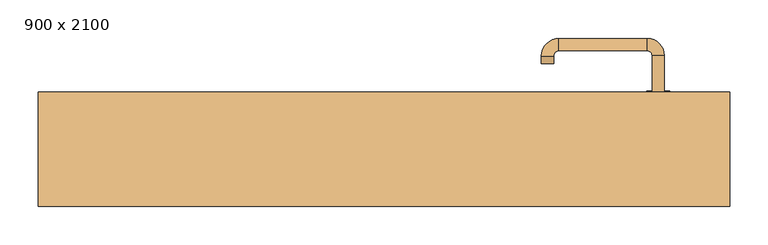
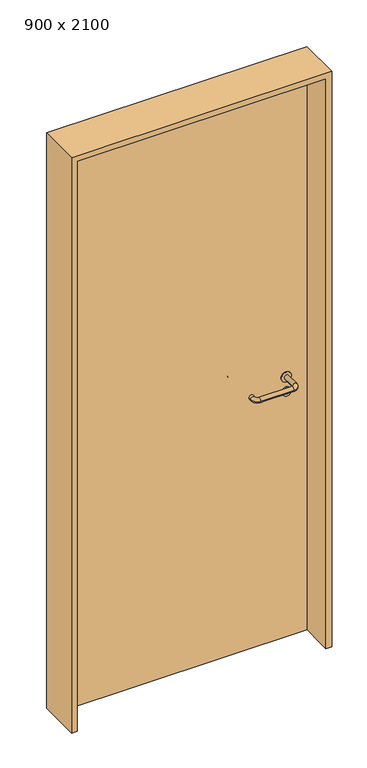
"""IFC4 building model written with IfcOpenShell, lengths in millimetres: door geometry, 900 x 2100."""

from ifc_helpers import new_model, si_unit, point, frame, frame_2d, origin, origin_with_axes, place, context, project, spatial, polyline, circle_curve, ellipse_curve, trimmed, segment, composite_curve, outline, extrude, source, transform, mapped, element, save
from ifc_brep_helpers import plane_surface, cylinder_surface, revolved_surface, advanced_brep


def door_900_x_2100_2c2fa0b2(model_context):
    return source(origin(), model_context, "Body", "SolidModel", [
        extrude(outline(composite_curve([segment(trimmed(circle_curve(frame_2d((897.3605726, 357.0)), 15.0), [point((897.3605726, 372.0))], [point((897.3605726, 342.0))], False, "CARTESIAN"), True, "CONTINUOUS"), segment(trimmed(circle_curve(frame_2d((897.3605726, 357.0)), 15.0), [point((897.3605726, 342.0))], [point((897.3605726, 372.0))], False, "CARTESIAN"), True, "CONTINUOUS")], self_intersect=False), holes=[composite_curve([segment(trimmed(circle_curve(frame_2d((892.5833211, 356.9398032)), 2.0), [point((892.5833211, 358.9398032))], [point((892.5833211, 354.9398032))], True, "CARTESIAN"), True, "CONTINUOUS"), segment(polyline([(892.5833211, 354.9398032), (902.5833211, 354.9398032)]), True, "CONTINUOUS"), segment(trimmed(circle_curve(frame_2d((902.5833211, 356.9398032)), 2.0), [point((902.5833211, 354.9398032))], [point((902.5833211, 358.9398032))], True, "CARTESIAN"), True, "CONTINUOUS"), segment(polyline([(902.5833211, 358.9398032), (892.5833211, 358.9398032)]), True, "CONTINUOUS")], self_intersect=False)]), frame((0.0, 33.65, 0.0), z_axis=(0.0, 1.0, 0.0), x_axis=(0.0, 0.0, 1.0)), (0.0, 0.0, 1.0), 6.35),
        extrude(outline(composite_curve([segment(trimmed(circle_curve(frame_2d((950.0, 357.0)), 17.526), [point((950.0, 374.526))], [point((950.0, 339.474))], False, "CARTESIAN"), True, "CONTINUOUS"), segment(trimmed(circle_curve(frame_2d((950.0, 357.0)), 17.526), [point((950.0, 339.474))], [point((950.0, 374.526))], False, "CARTESIAN"), True, "CONTINUOUS")], self_intersect=False)), frame((0.0, 36.825, 0.0), z_axis=(0.0, 1.0, 0.0), x_axis=(0.0, 0.0, 1.0)), (0.0, 0.0, 1.0), 3.175),
        advanced_brep(
        [(365.0, 40.0, 950.0), (349.0, 40.0, 950.0), (349.0, -13.0, 950.0), (365.0, -13.0, 950.0), (342.8578644, -19.1421356, 950.0), (342.8578644, -35.1421356, 950.0), (227.8578644, -19.1421356, 950.0), (227.8578644, -35.1421356, 950.0), (221.008622, -12.2928932, 950.0), (205.008622, -12.2928932, 950.0), (205.008622, -2.2928932, 950.0), (221.008622, -2.2928932, 950.0)],
        [
            (0, 1, circle_curve(frame((357.0, 40.0, 950.0), z_axis=(0.0, 1.0, 0.0), x_axis=(-1.0, 0.0, 0.0)), 8.0)),
            (1, 0, circle_curve(frame((357.0, 40.0, 950.0), z_axis=(0.0, 1.0, 0.0), x_axis=(-1.0, 0.0, 0.0)), 8.0)),
            (1, 2),
            (2, 3, circle_curve(frame((357.0, -13.0, 950.0), z_axis=(0.0, 1.0, 0.0), x_axis=(-1.0, 0.0, 0.0)), 8.0)),
            (3, 0),
            (3, 2, circle_curve(frame((357.0, -13.0, 950.0), z_axis=(0.0, 1.0, 0.0), x_axis=(-1.0, 0.0, 0.0)), 8.0)),
            (4, 5, circle_curve(frame((342.8578644, -27.1421356, 950.0), z_axis=(1.0, 0.0, 0.0), x_axis=(0.0, 1.0, 0.0)), 8.0)),
            (5, 3, circle_curve(frame((342.8578644, -13.0, 950.0), z_axis=(0.0, 0.0, 1.0), x_axis=(1.0, 0.0, 0.0)), 22.1421356)),
            (2, 4, circle_curve(frame((342.8578644, -13.0, 950.0), z_axis=(0.0, 0.0, -1.0), x_axis=(1.0, 0.0, 0.0)), 6.1421356)),
            (5, 4, circle_curve(frame((342.8578644, -27.1421356, 950.0), z_axis=(1.0, 0.0, 0.0), x_axis=(0.0, 1.0, 0.0)), 8.0)),
            (4, 6),
            (6, 7, circle_curve(frame((227.8578644, -27.1421356, 950.0), z_axis=(1.0, 0.0, 0.0), x_axis=(0.0, 1.0, 0.0)), 8.0)),
            (7, 5),
            (7, 6, circle_curve(frame((227.8578644, -27.1421356, 950.0), z_axis=(1.0, 0.0, 0.0), x_axis=(0.0, 1.0, 0.0)), 8.0)),
            (8, 9, circle_curve(frame((213.008622, -12.2928932, 950.0), z_axis=(0.0, -1.0, 0.0), x_axis=(1.0, 0.0, 0.0)), 8.0)),
            (9, 7, circle_curve(frame((227.8578644, -12.2928932, 950.0), z_axis=(0.0, 0.0, 1.0), x_axis=(0.0, -1.0, 0.0)), 22.8492424)),
            (6, 8, circle_curve(frame((227.8578644, -12.2928932, 950.0), z_axis=(0.0, 0.0, -1.0), x_axis=(0.0, -1.0, 0.0)), 6.8492424)),
            (9, 8, circle_curve(frame((213.008622, -12.2928932, 950.0), z_axis=(0.0, -1.0, 0.0), x_axis=(1.0, 0.0, 0.0)), 8.0)),
            (10, 11, circle_curve(frame((213.008622, -2.2928932, 950.0), z_axis=(0.0, 1.0, 0.0), x_axis=(1.0, 0.0, 0.0)), 8.0)),
            (11, 10, circle_curve(frame((213.008622, -2.2928932, 950.0), z_axis=(0.0, 1.0, 0.0), x_axis=(1.0, 0.0, 0.0)), 8.0)),
            (8, 11),
            (10, 9),
        ],
        [
            plane_surface(frame((357.0, 40.0, 0.0), z_axis=(0.0, 1.0, 0.0), x_axis=(0.0, 0.0, 1.0))),
            cylinder_surface(frame((357.0, 40.0, 950.0), z_axis=(0.0, 1.0, 0.0), x_axis=(-1.0, 0.0, 0.0)), 8.0),
            revolved_surface(trimmed(ellipse_curve(frame((357.0, -13.0, 950.0), z_axis=(0.0, -1.0, 0.0), x_axis=(-1.0, 0.0, 0.0)), 8.0, 8.0), [point((365.0, -13.0, 950.0))], [point((349.0, -13.0, 950.0))], True, "CARTESIAN"), (342.8578644, -13.0, 0.0), (0.0, 0.0, 1.0)),
            revolved_surface(trimmed(ellipse_curve(frame((357.0, -13.0, 950.0), z_axis=(0.0, -1.0, 0.0), x_axis=(-1.0, 0.0, 0.0)), 8.0, 8.0), [point((349.0, -13.0, 950.0))], [point((365.0, -13.0, 950.0))], True, "CARTESIAN"), (342.8578644, -13.0, 0.0), (0.0, 0.0, 1.0)),
            cylinder_surface(frame((342.8578644, -27.1421356, 950.0), z_axis=(1.0, 0.0, 0.0), x_axis=(0.0, 1.0, 0.0)), 8.0),
            revolved_surface(trimmed(ellipse_curve(frame((227.8578644, -27.1421356, 950.0), z_axis=(-1.0, 0.0, 0.0), x_axis=(0.0, 1.0, 0.0)), 8.0, 8.0), [point((227.8578644, -35.1421356, 950.0))], [point((227.8578644, -19.1421356, 950.0))], True, "CARTESIAN"), (227.8578644, -12.2928932, 0.0), (0.0, 0.0, 1.0)),
            revolved_surface(trimmed(ellipse_curve(frame((227.8578644, -27.1421356, 950.0), z_axis=(-1.0, 0.0, 0.0), x_axis=(0.0, 1.0, 0.0)), 8.0, 8.0), [point((227.8578644, -19.1421356, 950.0))], [point((227.8578644, -35.1421356, 950.0))], True, "CARTESIAN"), (227.8578644, -12.2928932, 0.0), (0.0, 0.0, 1.0)),
            plane_surface(frame((213.008622, -2.2928932, 0.0), z_axis=(0.0, 1.0, 0.0), x_axis=(0.0, 0.0, 1.0))),
            cylinder_surface(frame((213.008622, -12.2928932, 950.0), z_axis=(0.0, -1.0, 0.0), x_axis=(1.0, 0.0, 0.0)), 8.0),
        ],
        [
            (0, [[1, 2]]),
            (1, [[3, 4, 5, -2]]),
            (1, [[-5, 6, -3, -1]]),
            (2, [[7, 8, -4, 9]]),
            (3, [[10, -9, -6, -8]]),
            (4, [[11, 12, 13, -7]]),
            (4, [[-13, 14, -11, -10]]),
            (5, [[15, 16, -12, 17]]),
            (6, [[18, -17, -14, -16]]),
            (7, [[19, 20]]),
            (8, [[21, -19, 22, -15]]),
            (8, [[-22, -20, -21, -18]]),
        ],
    ),
        extrude(outline(composite_curve([segment(trimmed(circle_curve(frame_2d((0.0, -15.0)), 15.0), [point((0.0, -30.0))], [point((0.0, 0.0))], False, "CARTESIAN"), True, "CONTINUOUS"), segment(trimmed(circle_curve(frame_2d((0.0, -15.0)), 15.0), [point((0.0, 0.0))], [point((0.0, -30.0))], False, "CARTESIAN"), True, "CONTINUOUS")], self_intersect=False), holes=[composite_curve([segment(trimmed(circle_curve(frame_2d((4.7772515, -14.9398032)), 2.0), [point((4.7772515, -16.9398032))], [point((4.7772515, -12.9398032))], True, "CARTESIAN"), True, "CONTINUOUS"), segment(polyline([(4.7772515, -12.9398032), (-5.2227485, -12.9398032)]), True, "CONTINUOUS"), segment(trimmed(circle_curve(frame_2d((-5.2227485, -14.9398032)), 2.0), [point((-5.2227485, -12.9398032))], [point((-5.2227485, -16.9398032))], True, "CARTESIAN"), True, "CONTINUOUS"), segment(polyline([(-5.2227485, -16.9398032), (4.7772515, -16.9398032)]), True, "CONTINUOUS")], self_intersect=False)]), frame((342.0, 70.0, 897.3605726), z_axis=(1.8870575173328306e-12, 1.0, 0.0), x_axis=(0.0, 0.0, -1.0)), (0.0, 0.0, 1.0), 6.35),
        extrude(outline(composite_curve([segment(trimmed(circle_curve(frame_2d((0.0, -17.526)), 17.526), [point((0.0, -35.052))], [point((0.0, 0.0))], False, "CARTESIAN"), True, "CONTINUOUS"), segment(trimmed(circle_curve(frame_2d((0.0, -17.526)), 17.526), [point((0.0, 0.0))], [point((0.0, -35.052))], False, "CARTESIAN"), True, "CONTINUOUS")], self_intersect=False)), frame((339.474, 70.0, 950.0), z_axis=(1.8870575173328306e-12, 1.0, 0.0), x_axis=(0.0, 0.0, -1.0)), (0.0, 0.0, 1.0), 3.175),
        advanced_brep(
        [(365.0, 70.0, 950.0), (349.0, 70.0, 950.0), (365.0, 123.0, 950.0), (349.0, 123.0, 950.0), (342.8578644, 129.1421356, 950.0), (342.8578644, 145.1421356, 950.0), (227.8578644, 145.1421356, 950.0), (227.8578644, 129.1421356, 950.0), (221.008622, 122.2928932, 950.0), (205.008622, 122.2928932, 950.0), (205.008622, 112.2928932, 950.0), (221.008622, 112.2928932, 950.0)],
        [
            (0, 1, circle_curve(frame((357.0, 70.0, 950.0), z_axis=(-1.888672253512351e-12, -1.0, 0.0), x_axis=(-1.0, 1.888672253512351e-12, 0.0)), 8.0)),
            (1, 0, circle_curve(frame((357.0, 70.0, 950.0), z_axis=(-1.888672253512351e-12, -1.0, 0.0), x_axis=(-1.0, 1.888672253512351e-12, 0.0)), 8.0)),
            (0, 2),
            (2, 3, circle_curve(frame((357.0, 123.0, 950.0), z_axis=(-1.888672253512351e-12, -1.0, 0.0), x_axis=(-1.0, 1.888672253512351e-12, 0.0)), 8.0)),
            (3, 1),
            (3, 2, circle_curve(frame((357.0, 123.0, 950.0), z_axis=(-1.888672253512351e-12, -1.0, 0.0), x_axis=(-1.0, 1.888672253512351e-12, 0.0)), 8.0)),
            (4, 3, circle_curve(frame((342.8578644, 123.0, 950.0), z_axis=(0.0, 0.0, -1.0), x_axis=(1.0, -1.880717803715015e-12, 0.0)), 6.1421356)),
            (2, 5, circle_curve(frame((342.8578644, 123.0, 950.0), z_axis=(0.0, 0.0, 1.0), x_axis=(1.0, -1.880717803715015e-12, 0.0)), 22.1421356)),
            (5, 4, circle_curve(frame((342.8578644, 137.1421356, 950.0), z_axis=(1.0, -1.913702061528922e-12, 0.0), x_axis=(-1.913702061528922e-12, -1.0, 0.0)), 8.0)),
            (4, 5, circle_curve(frame((342.8578644, 137.1421356, 950.0), z_axis=(1.0, -1.913702061528922e-12, 0.0), x_axis=(-1.913702061528922e-12, -1.0, 0.0)), 8.0)),
            (5, 6),
            (6, 7, circle_curve(frame((227.8578644, 137.1421356, 950.0), z_axis=(1.0, -1.913719828541269e-12, 0.0), x_axis=(-1.913719828541269e-12, -1.0, 0.0)), 8.0)),
            (7, 4),
            (7, 6, circle_curve(frame((227.8578644, 137.1421356, 950.0), z_axis=(1.0, -1.913719828541269e-12, 0.0), x_axis=(-1.913719828541269e-12, -1.0, 0.0)), 8.0)),
            (8, 7, circle_curve(frame((227.8578644, 122.2928932, 950.0), z_axis=(0.0, 0.0, -1.0), x_axis=(1.9120873253494017e-12, 1.0, 0.0)), 6.8492424)),
            (6, 9, circle_curve(frame((227.8578644, 122.2928932, 950.0), z_axis=(0.0, 0.0, 1.0), x_axis=(1.9120873253494017e-12, 1.0, 0.0)), 22.8492424)),
            (9, 8, circle_curve(frame((213.008622, 122.2928932, 950.0), z_axis=(1.890448610351751e-12, 1.0, 0.0), x_axis=(1.0, -1.890448610351751e-12, 0.0)), 8.0)),
            (8, 9, circle_curve(frame((213.008622, 122.2928932, 950.0), z_axis=(1.8888942981172756e-12, 1.0, 0.0), x_axis=(1.0, -1.8888942981172756e-12, 0.0)), 8.0)),
            (10, 11, circle_curve(frame((213.008622, 112.2928932, 950.0), z_axis=(-1.8903642334018795e-12, -1.0, 0.0), x_axis=(1.0, -1.8903642334018795e-12, 0.0)), 8.0)),
            (11, 10, circle_curve(frame((213.008622, 112.2928932, 950.0), z_axis=(-1.8903642334018795e-12, -1.0, 0.0), x_axis=(1.0, -1.8903642334018795e-12, 0.0)), 8.0)),
            (9, 10),
            (11, 8),
        ],
        [
            plane_surface(frame((357.0, 70.0, 0.0), z_axis=(-1.8870575173328306e-12, -1.0, 0.0), x_axis=(0.0, 0.0, 1.0))),
            cylinder_surface(frame((357.0, 70.0, 950.0), z_axis=(-1.888672253512351e-12, -1.0, 0.0), x_axis=(-1.0, 1.888672253512351e-12, 0.0)), 8.0),
            revolved_surface(trimmed(ellipse_curve(frame((357.0, 123.0, 950.0), z_axis=(-1.8823325398945356e-12, -1.0, 0.0), x_axis=(-1.0, 1.8823325398945356e-12, 0.0)), 8.0, 8.0), [point((365.0, 123.0, 950.0))], [point((349.0, 123.0, 950.0))], True, "CARTESIAN"), (342.8578644, 123.0, 0.0), (0.0, 0.0, 1.0)),
            revolved_surface(trimmed(ellipse_curve(frame((357.0, 123.0, 950.0), z_axis=(-1.8823325398945356e-12, -1.0, 0.0), x_axis=(-1.0, 1.8823325398945356e-12, 0.0)), 8.0, 8.0), [point((349.0, 123.0, 950.0))], [point((365.0, 123.0, 950.0))], True, "CARTESIAN"), (342.8578644, 123.0, 0.0), (0.0, 0.0, 1.0)),
            cylinder_surface(frame((342.8578644, 137.1421356, 950.0), z_axis=(1.0, -1.913719828541269e-12, 0.0), x_axis=(-1.913719828541269e-12, -1.0, 0.0)), 8.0),
            revolved_surface(trimmed(ellipse_curve(frame((227.8578644, 137.1421356, 950.0), z_axis=(1.0, -1.913702061528922e-12, 0.0), x_axis=(-1.913702061528922e-12, -1.0, 0.0)), 8.0, 8.0), [point((227.8578644, 145.1421356, 950.0))], [point((227.8578644, 129.1421356, 950.0))], True, "CARTESIAN"), (227.8578644, 122.2928932, 0.0), (0.0, 0.0, 1.0)),
            revolved_surface(trimmed(ellipse_curve(frame((227.8578644, 137.1421356, 950.0), z_axis=(1.0, -1.913702061528922e-12, 0.0), x_axis=(-1.913702061528922e-12, -1.0, 0.0)), 8.0, 8.0), [point((227.8578644, 129.1421356, 950.0))], [point((227.8578644, 145.1421356, 950.0))], True, "CARTESIAN"), (227.8578644, 122.2928932, 0.0), (0.0, 0.0, 1.0)),
            plane_surface(frame((213.008622, 112.2928932, 0.0), z_axis=(-1.8887494972223595e-12, -1.0, 0.0), x_axis=(0.0, 0.0, 1.0))),
            cylinder_surface(frame((213.008622, 122.2928932, 950.0), z_axis=(1.8903642334018795e-12, 1.0, 0.0), x_axis=(1.0, -1.8903642334018795e-12, 0.0)), 8.0),
        ],
        [
            (0, [[1, 2]]),
            (1, [[-1, 3, 4, 5]]),
            (1, [[-2, -5, 6, -3]]),
            (2, [[7, -4, 8, 9]]),
            (3, [[-8, -6, -7, 10]]),
            (4, [[-9, 11, 12, 13]]),
            (4, [[-10, -13, 14, -11]]),
            (5, [[15, -12, 16, 17]]),
            (6, [[-16, -14, -15, 18]]),
            (7, [[19, 20]]),
            (8, [[-17, 21, -20, 22]]),
            (8, [[-18, -22, -19, -21]]),
        ],
    ),
        extrude(outline(polyline([(2080.0, 430.0), (0.0, 430.0), (0.0, 450.0), (2100.0, 450.0), (2100.0, -450.0), (0.0, -450.0), (0.0, -430.0), (2080.0, -430.0), (2080.0, 430.0)])), frame((0.0, -74.0, 0.0), z_axis=(0.0, 1.0, 0.0), x_axis=(0.0, 0.0, 1.0)), (0.0, 0.0, 1.0), 149.0),
        extrude(outline(polyline([(-430.0, 70.0), (430.0, 70.0), (430.0, 40.0), (-430.0, 40.0), (-430.0, 70.0)])), origin_with_axes(), (0.0, 0.0, 1.0), 2080.0),
    ])


if __name__ == "__main__":
    model = new_model("IFC4")
    model_context = context("Model", 3, world=origin())
    ifc_project = project(units=[si_unit("LENGTHUNIT", "METRE", prefix="MILLI")], contexts=[model_context])
    site = spatial("IfcSite", under=ifc_project)
    building = spatial("IfcBuilding", under=site)
    placement = place(None, origin())
    door_900_x_2100_shape = door_900_x_2100_2c2fa0b2(model_context)
    element("IfcDoor", 1, ObjectType="900 x 2100", at=placement, inside=building, context=model_context, shape_type="MappedRepresentation", body=[
        mapped(door_900_x_2100_shape, transform((0.0, 0.0, 0.0), x_axis=(1.0, 0.0, 0.0), y_axis=(0.0, 1.0, 0.0), z_axis=(0.0, 0.0, 1.0))),
    ])
    save(model, "model.ifc")
